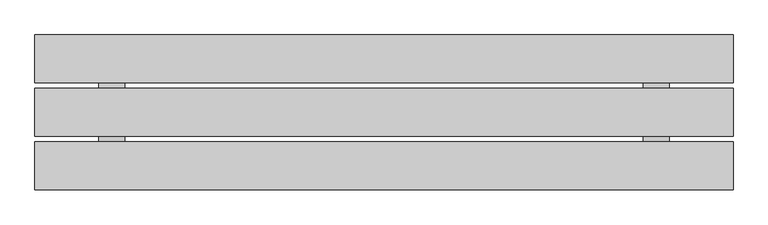
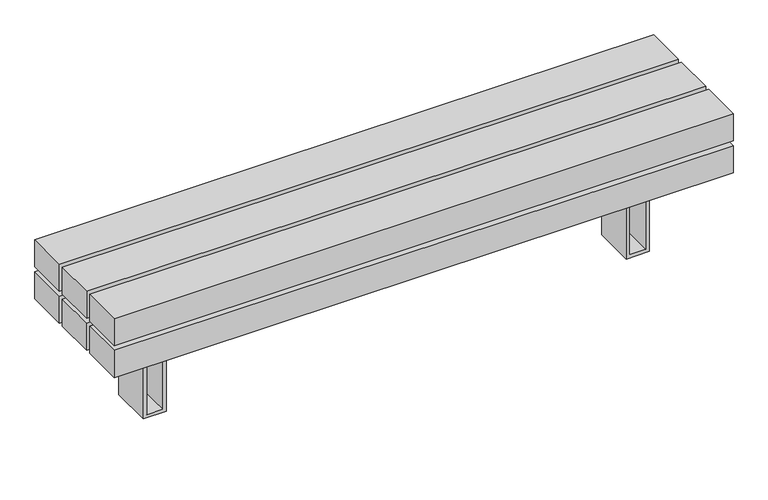
"""IFC4 building model written with IfcOpenShell, lengths in millimetres: furniture geometry."""

from ifc_helpers import new_model, si_unit, frame, origin, place, context, project, spatial, polyline, outline, extrude, source, transform, mapped, element, save


def furniture_8c450164(model_context):
    return source(origin(), model_context, "Body", "SweptSolid", [
        extrude(outline(polyline([(351.8217453, 900.0000373), (351.8217453, -900.0), (268.7167987, -900.0), (268.7167987, 900.0000373), (351.8217453, 900.0000373)]), holes=[polyline([(339.8217453, -888.0), (339.8217453, 888.0), (280.7167987, 888.0), (280.7167987, -888.0), (339.8217453, -888.0)])]), frame((0.0, -61.5000218, 0.0), z_axis=(0.0, 1.0, 0.0), x_axis=(0.0, 0.0, 1.0)), (0.0, 0.0, 1.0), 123.0000435),
        extrude(outline(polyline([(258.7167987, 618.4244034), (258.7167987, 668.4244034), (0.0, 668.4244034), (0.0, 735.4649994), (258.7167987, 735.4649994), (258.7167987, 785.4649994), (268.7167987, 785.4649994), (268.7167987, 725.4649994), (10.0, 725.4649994), (10.0, 678.4244034), (268.7167987, 678.4244034), (268.7167987, 618.4244034), (258.7167987, 618.4244034)])), frame((0.0, -61.5083224, 0.0), z_axis=(0.0, 1.0, 0.0), x_axis=(0.0, 0.0, 1.0)), (0.0, 0.0, 1.0), 123.0166879),
        extrude(outline(polyline([(258.7167987, -785.6380966), (258.7167987, -735.6380966), (0.0, -735.6380966), (0.0, -668.5975006), (258.7167987, -668.5975006), (258.7167987, -618.5975006), (268.7167987, -618.5975006), (268.7167987, -678.5975006), (10.0, -678.5975006), (10.0, -725.6380966), (268.7167987, -725.6380966), (268.7167987, -785.6380966), (258.7167987, -785.6380966)])), frame((0.0, -61.5083224, 0.0), z_axis=(0.0, 1.0, 0.0), x_axis=(0.0, 0.0, 1.0)), (0.0, 0.0, 1.0), 123.0166879),
        extrude(outline(polyline([(900.0, -76.5174894), (900.0, -199.5174894), (-900.0, -199.5174894), (-900.0, -76.5174894), (900.0, -76.5174894)])), frame((0.0, 0.0, 366.8258682), z_axis=(0.0, 0.0, 1.0), x_axis=(1.0, 0.0, 0.0)), (0.0, 0.0, 1.0), 83.1049466),
        extrude(outline(polyline([(900.0, 61.4888479), (900.0, -61.5111521), (-900.0, -61.5111521), (-900.0, 61.4888479), (900.0, 61.4888479)])), frame((0.0, 0.0, 366.8258682), z_axis=(0.0, 0.0, 1.0), x_axis=(1.0, 0.0, 0.0)), (0.0, 0.0, 1.0), 83.1049466),
        extrude(outline(polyline([(900.0, 199.4999782), (900.0, 76.4999782), (-900.0, 76.4999782), (-900.0, 199.4999782), (900.0, 199.4999782)])), frame((0.0, 0.0, 366.8258682), z_axis=(0.0, 0.0, 1.0), x_axis=(1.0, 0.0, 0.0)), (0.0, 0.0, 1.0), 83.1049466),
        extrude(outline(polyline([(900.0, -76.5174894), (900.0, -199.5174894), (-900.0, -199.5174894), (-900.0, -76.5174894), (900.0, -76.5174894)])), frame((0.0, 0.0, 268.7167987), z_axis=(0.0, 0.0, 1.0), x_axis=(1.0, 0.0, 0.0)), (0.0, 0.0, 1.0), 83.1049466),
        extrude(outline(polyline([(900.0, 199.4999782), (900.0, 76.4999782), (-900.0, 76.4999782), (-900.0, 199.4999782), (900.0, 199.4999782)])), frame((0.0, 0.0, 268.7167987), z_axis=(0.0, 0.0, 1.0), x_axis=(1.0, 0.0, 0.0)), (0.0, 0.0, 1.0), 83.1049466),
        extrude(outline(polyline([(735.4649994, -171.2111197), (668.4244034, -171.2111197), (668.4244034, 168.7288553), (735.4649994, 168.7288553), (735.4649994, -171.2111197)])), frame((0.0, 0.0, 351.8217453), z_axis=(0.0, 0.0, 1.0), x_axis=(1.0, 0.0, 0.0)), (0.0, 0.0, 1.0), 15.004123),
        extrude(outline(polyline([(-668.5975006, -171.2111197), (-735.6380966, -171.2111197), (-735.6380966, 168.7288553), (-668.5975006, 168.7288553), (-668.5975006, -171.2111197)])), frame((0.0, 0.0, 351.8217453), z_axis=(0.0, 0.0, 1.0), x_axis=(1.0, 0.0, 0.0)), (0.0, 0.0, 1.0), 15.004123),
    ])


if __name__ == "__main__":
    model = new_model("IFC4")
    model_context = context("Model", 3, world=origin())
    ifc_project = project(units=[si_unit("LENGTHUNIT", "METRE", prefix="MILLI")], contexts=[model_context])
    site = spatial("IfcSite", under=ifc_project)
    building = spatial("IfcBuilding", under=site)
    placement = place(None, origin())
    furniture_shape = furniture_8c450164(model_context)
    element("IfcFurniture", 1, at=placement, inside=building, context=model_context, shape_type="MappedRepresentation", body=[
        mapped(furniture_shape, transform((0.0, 0.0, 0.0), x_axis=(1.0, 0.0, 0.0), y_axis=(0.0, 1.0, 0.0), z_axis=(0.0, 0.0, 1.0))),
    ])
    save(model, "model.ifc")
